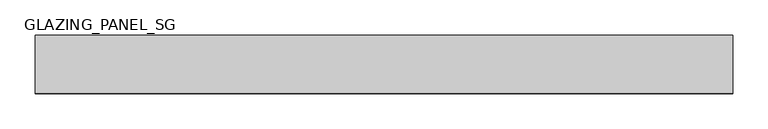
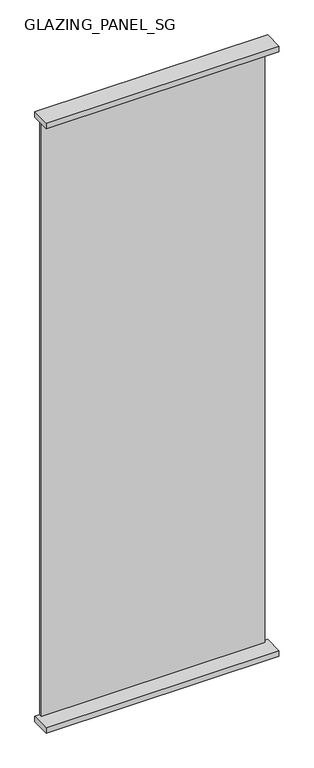
"""IFC4 building model written with IfcOpenShell, lengths in millimetres: plate geometry, GLAZING_PANEL_SG."""

from ifc_helpers import new_model, si_unit, frame, origin, origin_with_axes, place, context, project, spatial, polyline, outline, extrude, source, transform, mapped, element, save


def glazing_panel_sg_db8dcc69(model_context):
    return source(origin(), model_context, "Body", "SweptSolid", [
        extrude(outline(polyline([(477.0, 39.5), (477.0, 29.5), (-477.0, 29.5), (-477.0, 39.5), (477.0, 39.5)])), frame((0.0, 0.0, 12.0), z_axis=(0.0, 0.0, 1.0), x_axis=(1.0, 0.0, 0.0)), (0.0, 0.0, 1.0), 2730.0),
        extrude(outline(polyline([(497.0, -41.5), (-497.0, -41.5), (-497.0, 41.5), (497.0, 41.5), (497.0, -41.5)])), frame((0.0, 0.0, 2730.0), z_axis=(0.0, 0.0, 1.0), x_axis=(1.0, 0.0, 0.0)), (0.0, 0.0, 1.0), 25.0),
        extrude(outline(polyline([(497.0, 41.5), (497.0, -41.5), (-497.0, -41.5), (-497.0, 41.5), (497.0, 41.5)])), origin_with_axes(), (0.0, 0.0, 1.0), 25.0),
    ])


if __name__ == "__main__":
    model = new_model("IFC4")
    model_context = context("Model", 3, world=origin())
    ifc_project = project(units=[si_unit("LENGTHUNIT", "METRE", prefix="MILLI")], contexts=[model_context])
    site = spatial("IfcSite", under=ifc_project)
    building = spatial("IfcBuilding", under=site)
    placement = place(None, origin())
    glazing_panel_sg_shape = glazing_panel_sg_db8dcc69(model_context)
    element("IfcPlate", 1, ObjectType="GLAZING_PANEL_SG", at=placement, inside=building, context=model_context, shape_type="MappedRepresentation", body=[
        mapped(glazing_panel_sg_shape, transform((0.0, 0.0, 0.0), x_axis=(1.0, 0.0, 0.0), y_axis=(0.0, 1.0, 0.0), z_axis=(0.0, 0.0, 1.0))),
    ])
    save(model, "model.ifc")
